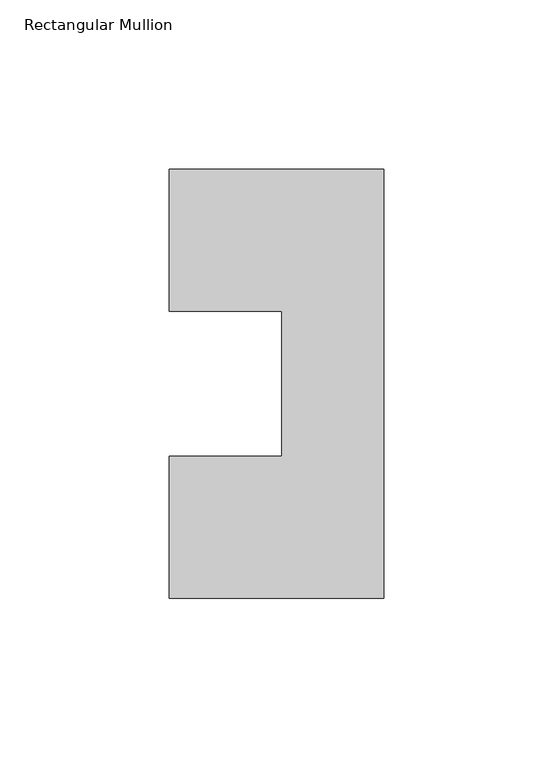
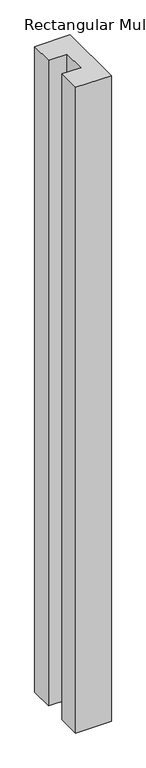
"""IFC4 building model written with IfcOpenShell, lengths in millimetres: member geometry, Rectangular Mullion."""

from ifc_helpers import new_model, si_unit, frame, origin, place, context, project, spatial, polyline, outline, extrude, source, transform, mapped, element, save


def rectangular_mullion_c52c5de1(model_context):
    return source(origin(), model_context, "Body", "SweptSolid", [
        extrude(outline(polyline([(1.5748, 84.6335937), (-31.75, 84.6335938), (-31.75, 126.7086807), (31.75, 126.7086807), (31.75, -0.2913193), (-31.75, -0.2913193), (-31.75, 41.7837807), (1.5748, 41.7837807), (1.5748, 84.6335937)])), frame((0.0, 0.0, -1219.2), z_axis=(0.0, 0.0, 1.0), x_axis=(1.0, 0.0, 0.0)), (0.0, 0.0, 1.0), 1219.2),
    ])


if __name__ == "__main__":
    model = new_model("IFC4")
    model_context = context("Model", 3, world=origin())
    ifc_project = project(units=[si_unit("LENGTHUNIT", "METRE", prefix="MILLI")], contexts=[model_context])
    site = spatial("IfcSite", under=ifc_project)
    building = spatial("IfcBuilding", under=site)
    placement = place(None, origin())
    rectangular_mullion_shape = rectangular_mullion_c52c5de1(model_context)
    element("IfcMember", 1, ObjectType="Rectangular Mullion", at=placement, inside=building, context=model_context, shape_type="MappedRepresentation", body=[
        mapped(rectangular_mullion_shape, transform((0.0, 0.0, 0.0), x_axis=(1.0, 0.0, 0.0), y_axis=(0.0, 1.0, 0.0), z_axis=(0.0, 0.0, 1.0))),
    ])
    save(model, "model.ifc")
